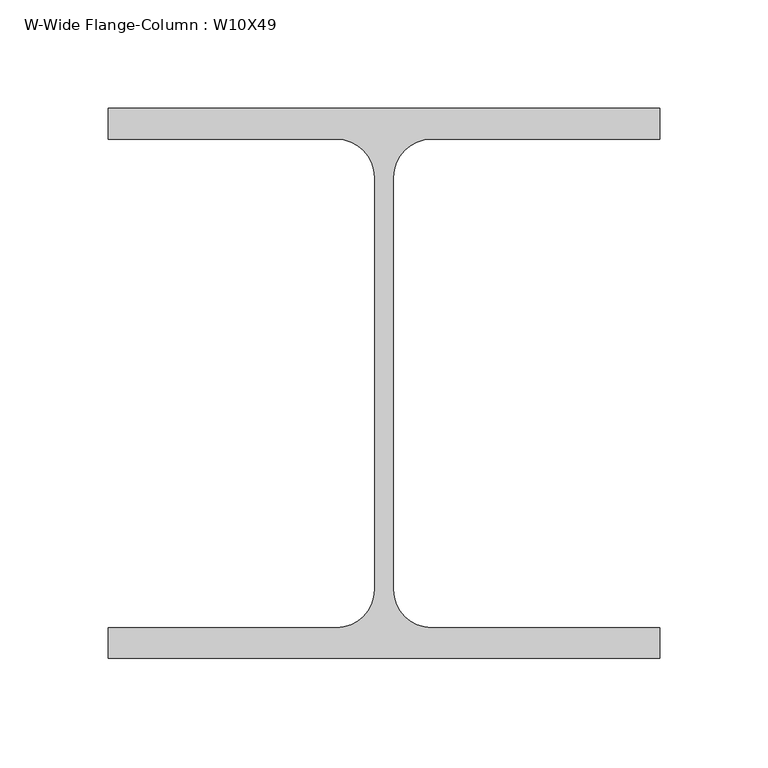
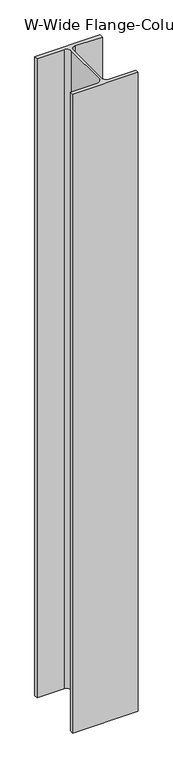
"""IFC4 building model written with IfcOpenShell, lengths in millimetres: column geometry, W-Wide Flange-Column : W10X49."""

from ifc_helpers import new_model, si_unit, point, frame_2d, origin, origin_with_axes, place, context, project, spatial, polyline, circle_curve, trimmed, segment, composite_curve, outline, extrude, source, transform, mapped, element, save


def w_wide_flange_column_w10x49_8e5749ad(model_context):
    return source(origin(), model_context, "Body", "SweptSolid", [
        extrude(outline(composite_curve([segment(polyline([(127.0, 126.7519531), (127.0, 112.5636719), (21.8777344, 112.5636719)]), True, "CONTINUOUS"), segment(trimmed(circle_curve(frame_2d((21.8777344, 95.0019531)), 17.5617188), [point((21.8777344, 112.5636719))], [point((4.3160156, 95.0019531))], True, "CARTESIAN"), True, "CONTINUOUS"), segment(polyline([(4.3160156, 95.0019531), (4.3160156, -95.0019531)]), True, "CONTINUOUS"), segment(trimmed(circle_curve(frame_2d((21.8777344, -95.0019531)), 17.5617187), [point((4.3160156, -95.0019531))], [point((21.8777344, -112.5636719))], True, "CARTESIAN"), True, "CONTINUOUS"), segment(polyline([(21.8777344, -112.5636719), (127.0, -112.5636719), (127.0, -126.7519531), (-127.0, -126.7519531), (-127.0, -112.5636719), (-21.8777344, -112.5636719)]), True, "CONTINUOUS"), segment(trimmed(circle_curve(frame_2d((-21.8777344, -95.0019531)), 17.5617187), [point((-21.8777344, -112.5636719))], [point((-4.3160156, -95.0019531))], True, "CARTESIAN"), True, "CONTINUOUS"), segment(polyline([(-4.3160156, -95.0019531), (-4.3160156, 95.0019531)]), True, "CONTINUOUS"), segment(trimmed(circle_curve(frame_2d((-21.8777344, 95.0019531)), 17.5617188), [point((-4.3160156, 95.0019531))], [point((-21.8777344, 112.5636719))], True, "CARTESIAN"), True, "CONTINUOUS"), segment(polyline([(-21.8777344, 112.5636719), (-127.0, 112.5636719), (-127.0, 126.7519531), (127.0, 126.7519531)]), True, "CONTINUOUS")], self_intersect=False)), origin_with_axes(), (0.0, 0.0, 1.0), 2616.2),
    ])


if __name__ == "__main__":
    model = new_model("IFC4")
    model_context = context("Model", 3, world=origin())
    ifc_project = project(units=[si_unit("LENGTHUNIT", "METRE", prefix="MILLI")], contexts=[model_context])
    site = spatial("IfcSite", under=ifc_project)
    building = spatial("IfcBuilding", under=site)
    placement = place(None, origin())
    w_wide_flange_column_w10x49_shape = w_wide_flange_column_w10x49_8e5749ad(model_context)
    element("IfcColumn", 1, ObjectType="W-Wide Flange-Column : W10X49", at=placement, inside=building, context=model_context, shape_type="MappedRepresentation", body=[
        mapped(w_wide_flange_column_w10x49_shape, transform((0.0, 0.0, 0.0), x_axis=(1.0, 0.0, 0.0), y_axis=(0.0, 1.0, 0.0), z_axis=(0.0, 0.0, 1.0))),
    ])
    save(model, "model.ifc")
